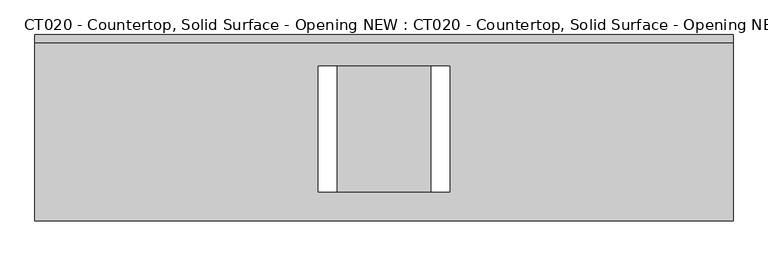
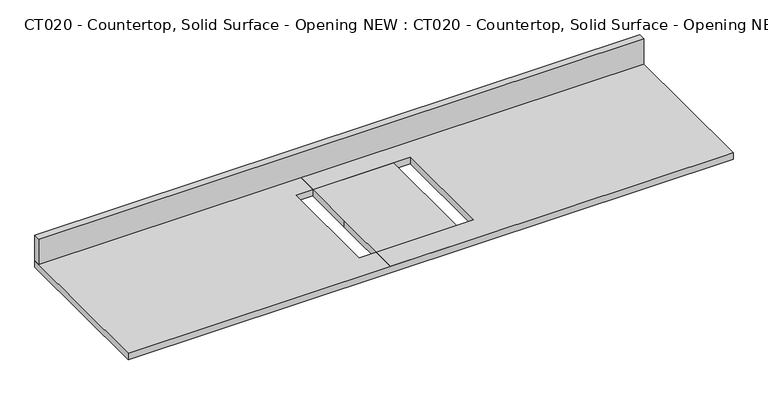
"""IFC4 building model written with IfcOpenShell, lengths in millimetres: proxy geometry, CT020 - Countertop, Solid Surface - Opening NEW : CT020 - Countertop, Solid Surface - Opening NEW."""

from ifc_helpers import new_model, si_unit, frame, origin, origin_with_axes, place, context, project, spatial, polyline, outline, extrude, source, transform, mapped, element, save


def ct020_countertop_solid_surface_opening_new_ct020_countertop_887b7656(model_context):
    return source(origin(), model_context, "Body", "SweptSolid", [
        extrude(outline(polyline([(1143.0, 304.8), (1143.0, -304.8), (-1143.0, -304.8), (-1143.0, 304.8), (1143.0, 304.8)]), holes=[polyline([(215.9, 201.4377264), (-215.9, 201.4377264), (-215.9, -210.4527011), (215.9, -210.4527011), (215.9, 201.4377264)])]), origin_with_axes(), (0.0, 0.0, 1.0), 25.4),
        extrude(outline(polyline([(-1143.0, 279.4), (-1143.0, 304.8), (1143.0, 304.8), (1143.0, 279.4), (-1143.0, 279.4)])), frame((0.0, 0.0, 25.4), z_axis=(0.0, 0.0, 1.0), x_axis=(1.0, 0.0, 0.0)), (0.0, 0.0, 1.0), 101.6),
        extrude(outline(polyline([(-152.4, 304.8), (152.4, 304.8), (152.4, -304.8), (-152.4, -304.8), (-152.4, 0.0), (-152.4, 304.8)])), origin_with_axes(), (0.0, 0.0, 1.0), 25.4),
    ])


if __name__ == "__main__":
    model = new_model("IFC4")
    model_context = context("Model", 3, world=origin())
    ifc_project = project(units=[si_unit("LENGTHUNIT", "METRE", prefix="MILLI")], contexts=[model_context])
    site = spatial("IfcSite", under=ifc_project)
    building = spatial("IfcBuilding", under=site)
    placement = place(None, origin())
    ct020_countertop_solid_surface_opening_new_ct020_countertop_shape = ct020_countertop_solid_surface_opening_new_ct020_countertop_887b7656(model_context)
    element("IfcBuildingElementProxy", 1, Name="CT020 - Countertop, Solid Surface - Opening NEW : CT020 - Countertop, Solid Surface - Opening NEW", ObjectType="CT020 - Countertop, Solid Surface - Opening NEW : CT020 - Countertop, Solid Surface - Opening NEW", at=placement, inside=building, context=model_context, shape_type="MappedRepresentation", body=[
        mapped(ct020_countertop_solid_surface_opening_new_ct020_countertop_shape, transform((0.0, 0.0, 0.0), x_axis=(1.0, 0.0, 0.0), y_axis=(0.0, 1.0, 0.0), z_axis=(0.0, 0.0, 1.0))),
    ])
    save(model, "model.ifc")
